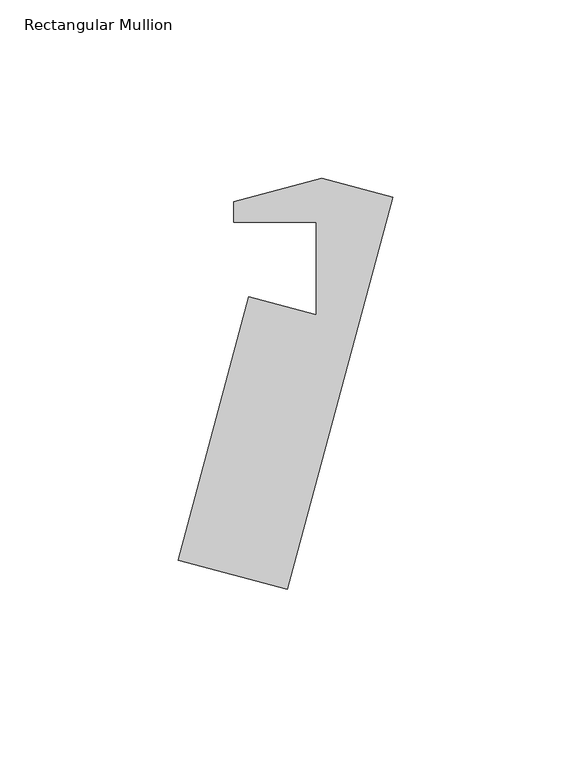
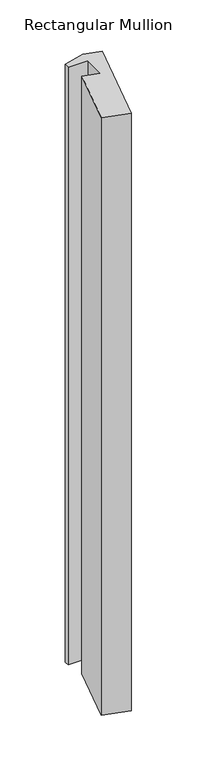
"""IFC4 building model written with IfcOpenShell, lengths in millimetres: member geometry, Rectangular Mullion."""

import ifcopenshell
import ifcopenshell.guid

model = None  # the IFC model being written
_history = None  # IfcOwnerHistory: only IFC2X3 demands one
_inside = {}  # id of a spatial element -> (the spatial element, [elements in it])
_under = {}  # id of a project, library or spatial element -> (it, [spatial elements below it])
_declared = {}  # id of a project -> (the project, [libraries it declares])
_typed = {}  # id of a type object -> (the type object, [elements of that type])
_made_of = {}  # id of a material, layer set ... -> (it, [elements and type objects made of it])


def new_model(schema):
    """Start an empty IFC model of exactly this schema.

    Asked for "IFC4X3", IfcOpenShell would pick the latest addendum, in which some entities
    have other attributes; the version numbers below select the first issue.
    IFC2X3 requires an IfcOwnerHistory on every rooted entity: one is made here for all.
    """
    global model, _history
    if schema == "IFC4X3":
        model = ifcopenshell.file(schema_version=(4, 3, 0, 0))
    else:
        model = ifcopenshell.file(schema=schema)
    _inside.clear()
    _under.clear()
    _declared.clear()
    _typed.clear()
    _made_of.clear()
    _history = None
    if model.schema == "IFC2X3":
        org = make("IfcOrganization", Name="unknown")
        user = make(
            "IfcPersonAndOrganization",
            ThePerson=make("IfcPerson", FamilyName="unknown"),
            TheOrganization=org,
        )
        app = make(
            "IfcApplication",
            ApplicationDeveloper=org,
            Version="unknown",
            ApplicationFullName="unknown",
            ApplicationIdentifier="unknown",
        )
        _history = make(
            "IfcOwnerHistory",
            OwningUser=user,
            OwningApplication=app,
            ChangeAction="ADDED",
            CreationDate=0,
        )
    return model


def make(cls, **values):
    """One entity of the class cls with the attributes given. An attribute that is None is left unset."""
    return model.create_entity(
        cls, **{name: value for name, value in values.items() if value is not None}
    )


def rooted(cls, **values):
    """An entity with a GlobalId (a new one), such as an element, a storey or a relation."""
    return make(cls, GlobalId=ifcopenshell.guid.new(), OwnerHistory=_history, **values)


def si_unit(unit_type, name, prefix=None):
    """IfcSIUnit, for example si_unit("LENGTHUNIT", "METRE", prefix="MILLI")."""
    return make("IfcSIUnit", UnitType=unit_type, Prefix=prefix, Name=name)


def assignment(units):
    """IfcUnitAssignment: the units of a project."""
    return None if units is None else make("IfcUnitAssignment", Units=units)


def point(xyz):
    """IfcCartesianPoint."""
    return None if xyz is None else make("IfcCartesianPoint", Coordinates=xyz)


def direction(xyz):
    """IfcDirection."""
    return None if xyz is None else make("IfcDirection", DirectionRatios=xyz)


def frame(location, z_axis=None, x_axis=None):
    """IfcAxis2Placement3D, a coordinate frame: its origin and axes. An axis left out is left unset."""
    return make(
        "IfcAxis2Placement3D",
        Location=point(location),
        Axis=direction(z_axis),
        RefDirection=direction(x_axis),
    )


def origin():
    """The frame at (0, 0, 0) with its axes left unset."""
    return frame((0.0, 0.0, 0.0))


def place(relative_to, where):
    """IfcLocalPlacement: puts the frame where relative to a parent placement (None: the world)."""
    return make(
        "IfcLocalPlacement", PlacementRelTo=relative_to, RelativePlacement=where
    )


def context(
    kind, dimensions, precision=None, world=None, true_north=None, identifier=None
):
    """IfcGeometricRepresentationContext, for example the 3D "Model" context."""
    return make(
        "IfcGeometricRepresentationContext",
        ContextIdentifier=identifier,
        ContextType=kind,
        CoordinateSpaceDimension=dimensions,
        Precision=precision,
        WorldCoordinateSystem=world,
        TrueNorth=true_north,
    )


def project(units=None, contexts=None):
    """IfcProject with its units and contexts."""
    return rooted(
        "IfcProject",
        Name="project",
        RepresentationContexts=contexts,
        UnitsInContext=assignment(units),
    )


def spatial(cls, under=None, at=None, **own):
    """A site, building, storey or space (cls), placed at a placement, below another one or the project."""
    s = rooted(cls, ObjectPlacement=at, **own)
    if under is not None:
        _under.setdefault(under.id(), (under, []))[1].append(s)
    return s


def polyline(points):
    """IfcPolyline through the points."""
    return make("IfcPolyline", Points=[point(p) for p in points])


def outline(outer, holes=None, kind="AREA"):
    """IfcArbitraryClosedProfileDef: a profile drawn as a closed curve; with holes, ...WithVoids."""
    if holes is None:
        return make("IfcArbitraryClosedProfileDef", ProfileType=kind, OuterCurve=outer)
    return make(
        "IfcArbitraryProfileDefWithVoids",
        ProfileType=kind,
        OuterCurve=outer,
        InnerCurves=holes,
    )


def extrude(swept, where, along, depth):
    """IfcExtrudedAreaSolid: the profile swept, set in the frame where, extruded along a direction by depth."""
    return make(
        "IfcExtrudedAreaSolid",
        SweptArea=swept,
        Position=where,
        ExtrudedDirection=direction(along),
        Depth=depth,
    )


def shape(context_of_items, identifier, shape_type, items):
    """IfcShapeRepresentation: the items that make up one representation, for example the "Body"."""
    return make(
        "IfcShapeRepresentation",
        ContextOfItems=context_of_items,
        RepresentationIdentifier=identifier,
        RepresentationType=shape_type,
        Items=items,
    )


def source(mapping_origin, context_of_items, identifier, shape_type, items):
    """IfcRepresentationMap: a shape defined once, which mapped items show again and again."""
    return make(
        "IfcRepresentationMap",
        MappingOrigin=mapping_origin,
        MappedRepresentation=shape(context_of_items, identifier, shape_type, items),
    )


def transform(
    local_origin,
    x_axis=None,
    y_axis=None,
    z_axis=None,
    scale=None,
    scale2=None,
    scale3=None,
    uniform=True,
):
    """IfcCartesianTransformationOperator3D, or its non-uniform kind. x_axis, y_axis, z_axis: its Axis1, 2, 3."""
    if uniform:
        return make(
            "IfcCartesianTransformationOperator3D",
            Axis1=direction(x_axis),
            Axis2=direction(y_axis),
            LocalOrigin=point(local_origin),
            Scale=scale,
            Axis3=direction(z_axis),
        )
    return make(
        "IfcCartesianTransformationOperator3DnonUniform",
        Axis1=direction(x_axis),
        Axis2=direction(y_axis),
        LocalOrigin=point(local_origin),
        Scale=scale,
        Axis3=direction(z_axis),
        Scale2=scale2,
        Scale3=scale3,
    )


def mapped(mapping_source, mapping_target):
    """IfcMappedItem: shows the shape of a source again, moved by a transform."""
    return make(
        "IfcMappedItem", MappingSource=mapping_source, MappingTarget=mapping_target
    )


def made_of(thing, what):
    """Note that an element or type object is made of a material, layer set ...; save() writes the relation."""
    if what is not None:
        _made_of.setdefault(what.id(), (what, []))[1].append(thing)
    return thing


def element(
    cls,
    number,
    at=None,
    inside=None,
    cuts=None,
    type_object=None,
    material=None,
    context=None,
    identifier="Body",
    shape_type=None,
    held_by="IfcProductDefinitionShape",
    body=None,
    shapes=None,
    **own,
):
    """One element of the class cls, such as IfcWall. Its Tag is "e" and its number.

    at: its placement. inside: the storey or other place that contains it. cuts: it is an
    opening in that element (IfcRelVoidsElement). A single representation is given by context,
    identifier, shape_type and body (its items); several are given by shapes. held_by: the class
    of the entity that holds the representations. save() writes the other relations.
    """
    e = rooted(cls, Tag="e%d" % number, ObjectPlacement=at, **own)
    if body is not None:
        shapes = [shape(context, identifier, shape_type, body)]
    if shapes is not None:
        e.Representation = make(held_by, Representations=shapes)
    if inside is not None:
        _inside.setdefault(inside.id(), (inside, []))[1].append(e)
    if cuts is not None:
        rooted(
            "IfcRelVoidsElement", RelatingBuildingElement=cuts, RelatedOpeningElement=e
        )
    if type_object is not None:
        _typed.setdefault(type_object.id(), (type_object, []))[1].append(e)
    return made_of(e, material)


def aggregate(whole, parts):
    """IfcRelAggregates: a whole, such as a stair, and the parts it consists of."""
    return rooted("IfcRelAggregates", RelatingObject=whole, RelatedObjects=parts)


def save(model, path):
    """Write the relations noted so far, then the file.

    IfcRelAggregates (storeys below a building ...), IfcRelContainedInSpatialStructure (elements
    in a storey), IfcRelDefinesByType, IfcRelAssociatesMaterial and IfcRelDeclares: one each for
    every whole, place, type object, material and project.
    """
    for whole, parts in _under.values():
        aggregate(whole, parts)
    for where, things in _inside.values():
        rooted(
            "IfcRelContainedInSpatialStructure",
            RelatedElements=things,
            RelatingStructure=where,
        )
    for kind, things in _typed.values():
        rooted("IfcRelDefinesByType", RelatedObjects=things, RelatingType=kind)
    for what, things in _made_of.values():
        rooted("IfcRelAssociatesMaterial", RelatedObjects=things, RelatingMaterial=what)
    for by, libraries in _declared.values():
        rooted("IfcRelDeclares", RelatingContext=by, RelatedDefinitions=libraries)
    model.write(path)


def rectangular_mullion_a892f60a(model_context):
    return source(origin(), model_context, "Body", "SweptSolid", [
        extrude(outline(polyline([(3.1873155, 11.8952233), (-26.3044379, -98.1694988), (-56.9725829, -89.9519941), (-37.1651096, -16.0294974), (-18.2474631, -21.0984656), (-18.2474631, 4.8060016), (-41.3984584, 4.8060016), (-41.3984584, 10.6166788), (-16.7197749, 17.2293121), (3.1873155, 11.8952233)])), frame((0.0, 0.0, -747.4362205), z_axis=(0.0, 0.0, 1.0), x_axis=(1.0, 0.0, 0.0)), (0.0, 0.0, 1.0), 747.4362205),
    ])


if __name__ == "__main__":
    model = new_model("IFC4")
    model_context = context("Model", 3, world=origin())
    ifc_project = project(units=[si_unit("LENGTHUNIT", "METRE", prefix="MILLI")], contexts=[model_context])
    site = spatial("IfcSite", under=ifc_project)
    building = spatial("IfcBuilding", under=site)
    placement = place(None, origin())
    rectangular_mullion_shape = rectangular_mullion_a892f60a(model_context)
    element("IfcMember", 1, ObjectType="Rectangular Mullion", at=placement, inside=building, context=model_context, shape_type="MappedRepresentation", body=[
        mapped(rectangular_mullion_shape, transform((0.0, 0.0, 0.0), x_axis=(1.0, 0.0, 0.0), y_axis=(0.0, 1.0, 0.0), z_axis=(0.0, 0.0, 1.0))),
    ])
    save(model, "model.ifc")
